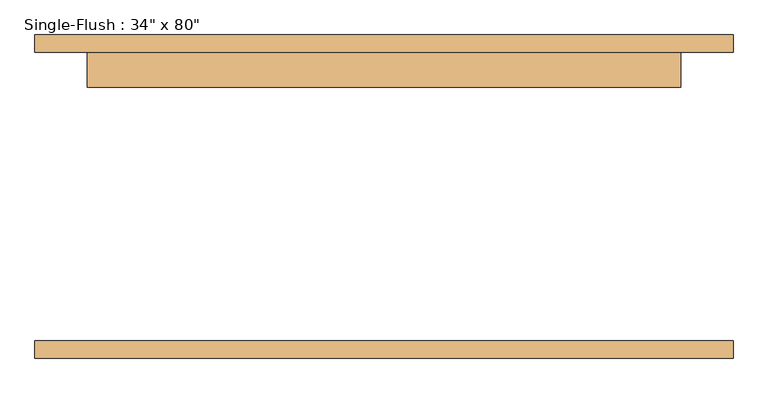
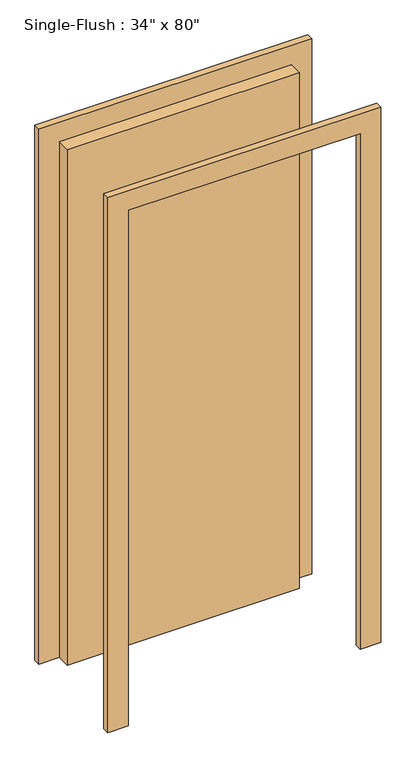
"""IFC4 building model written with IfcOpenShell, lengths in millimetres: door geometry."""

from ifc_helpers import new_model, si_unit, frame, origin, origin_with_axes, place, context, project, spatial, polyline, outline, extrude, source, transform, mapped, element, save


def door_8fa68dc7(model_context):
    return source(origin(), model_context, "Body", "SweptSolid", [
        extrude(outline(polyline([(2108.2, -508.0), (0.0, -508.0), (0.0, -431.8), (2032.0, -431.8), (2032.0, 431.8), (0.0, 431.8), (0.0, 508.0), (2108.2, 508.0), (2108.2, -508.0)])), frame((0.0, 210.0, 0.0), z_axis=(0.0, 1.0, 0.0), x_axis=(0.0, 0.0, 1.0)), (0.0, 0.0, 1.0), 25.4),
        extrude(outline(polyline([(2108.2, 508.0), (2108.2, -508.0), (0.0, -508.0), (0.0, -431.8), (2032.0, -431.8), (2032.0, 431.8), (0.0, 431.8), (0.0, 508.0), (2108.2, 508.0)])), frame((0.0, -235.4, 0.0), z_axis=(0.0, 1.0, 0.0), x_axis=(0.0, 0.0, 1.0)), (0.0, 0.0, 1.0), 25.4),
        extrude(outline(polyline([(431.8, 159.2), (-431.8, 159.2), (-431.8, 210.0), (431.8, 210.0), (431.8, 159.2)])), origin_with_axes(), (0.0, 0.0, 1.0), 2032.0),
    ])


if __name__ == "__main__":
    model = new_model("IFC4")
    model_context = context("Model", 3, world=origin())
    ifc_project = project(units=[si_unit("LENGTHUNIT", "METRE", prefix="MILLI")], contexts=[model_context])
    site = spatial("IfcSite", under=ifc_project)
    building = spatial("IfcBuilding", under=site)
    placement = place(None, origin())
    door_shape = door_8fa68dc7(model_context)
    element("IfcDoor", 1, ObjectType="Single-Flush : 34\" x 80\"", at=placement, inside=building, context=model_context, shape_type="MappedRepresentation", body=[
        mapped(door_shape, transform((0.0, 0.0, 0.0), x_axis=(1.0, 0.0, 0.0), y_axis=(0.0, 1.0, 0.0), z_axis=(0.0, 0.0, 1.0))),
    ])
    save(model, "model.ifc")
